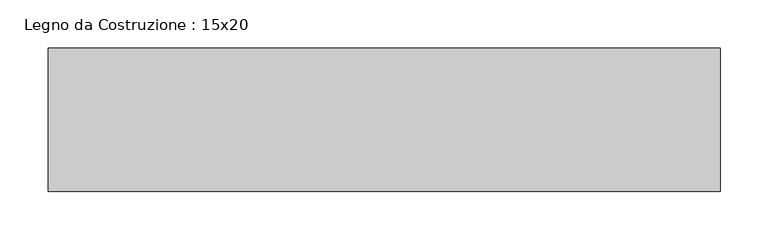
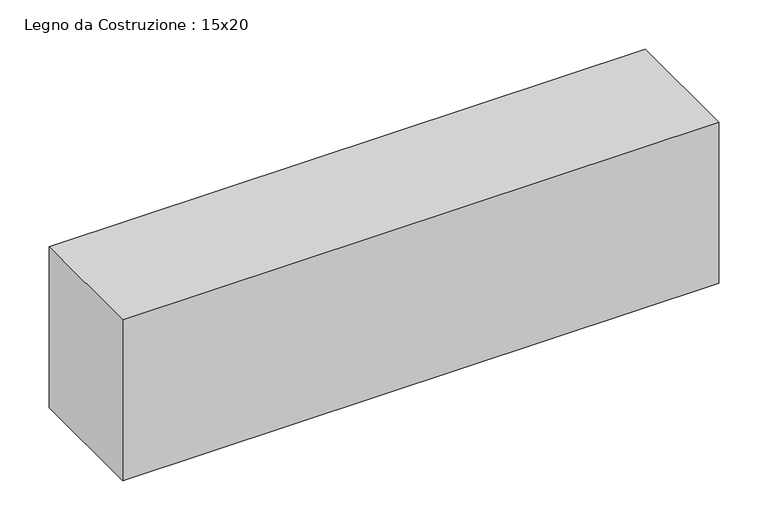
"""IFC4 building model written with IfcOpenShell, lengths in millimetres: beam geometry, Legno da Costruzione : 15x20."""

from ifc_helpers import new_model, si_unit, frame, origin, place, context, project, spatial, polyline, outline, extrude, source, transform, mapped, element, save


def legno_da_costruzione_15x20_1c055c76(model_context):
    return source(origin(), model_context, "Body", "SweptSolid", [
        extrude(outline(polyline([(444.5, 75.0), (444.5, -75.0), (-255.5, -75.0), (-255.5, 75.0), (444.5, 75.0)])), frame((0.0, 0.0, -100.0), z_axis=(0.0, 0.0, 1.0), x_axis=(1.0, 0.0, 0.0)), (0.0, 0.0, 1.0), 200.0),
    ])


if __name__ == "__main__":
    model = new_model("IFC4")
    model_context = context("Model", 3, world=origin())
    ifc_project = project(units=[si_unit("LENGTHUNIT", "METRE", prefix="MILLI")], contexts=[model_context])
    site = spatial("IfcSite", under=ifc_project)
    building = spatial("IfcBuilding", under=site)
    placement = place(None, origin())
    legno_da_costruzione_15x20_shape = legno_da_costruzione_15x20_1c055c76(model_context)
    element("IfcBeam", 1, ObjectType="Legno da Costruzione : 15x20", at=placement, inside=building, context=model_context, shape_type="MappedRepresentation", body=[
        mapped(legno_da_costruzione_15x20_shape, transform((0.0, 0.0, 0.0), x_axis=(1.0, 0.0, 0.0), y_axis=(0.0, 1.0, 0.0), z_axis=(0.0, 0.0, 1.0))),
    ])
    save(model, "model.ifc")
